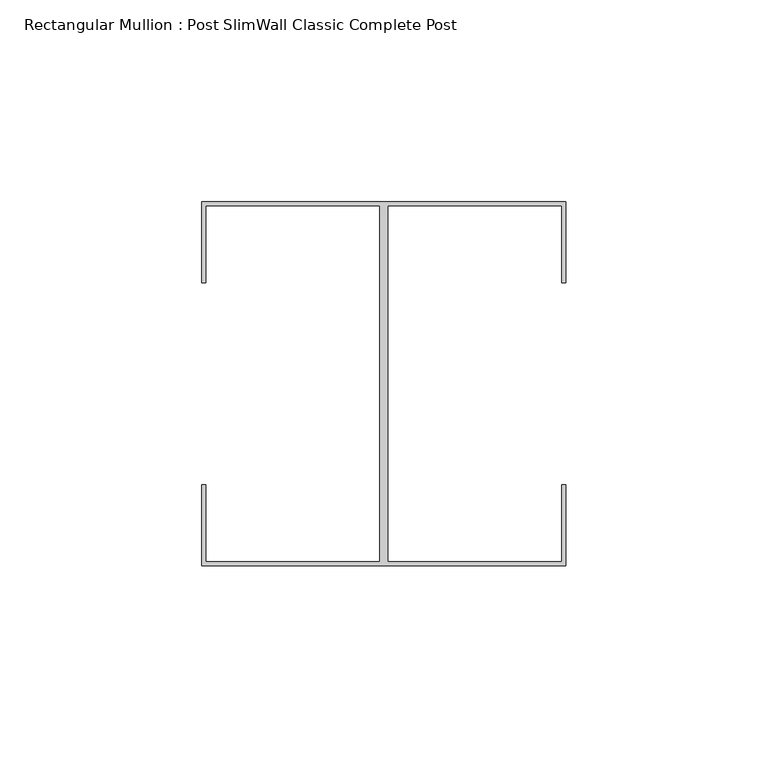
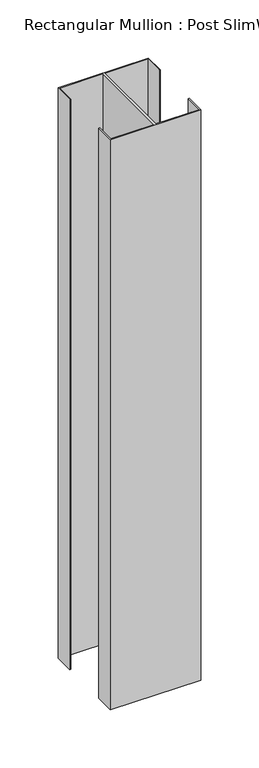
"""IFC4 building model written with IfcOpenShell, lengths in millimetres: member geometry, Rectangular Mullion : Post SlimWall Classic Complete Post."""

from ifc_helpers import new_model, si_unit, frame, origin, place, context, project, spatial, polyline, outline, extrude, source, transform, mapped, element, save


def rectangular_mullion_post_slimwall_classic_complete_post_8a3efc30(model_context):
    return source(origin(), model_context, "Body", "SweptSolid", [
        extrude(outline(polyline([(-0.95, 44.05), (-44.0, 44.05), (-44.0, -44.05), (-0.95, -44.05), (-0.95, -25.0), (0.0, -25.0), (0.0, -45.0), (-90.0, -45.0), (-90.0, -25.0), (-89.05, -25.0), (-89.05, -44.05), (-46.0, -44.05), (-46.0, 44.05), (-89.05, 44.05), (-89.05, 25.0), (-90.0, 25.0), (-90.0, 45.0), (0.0, 45.0), (0.0, 25.0), (-0.95, 25.0), (-0.95, 44.05)])), frame((0.0, 0.0, -600.0), z_axis=(0.0, 0.0, 1.0), x_axis=(1.0, 0.0, 0.0)), (0.0, 0.0, 1.0), 600.0),
    ])


if __name__ == "__main__":
    model = new_model("IFC4")
    model_context = context("Model", 3, world=origin())
    ifc_project = project(units=[si_unit("LENGTHUNIT", "METRE", prefix="MILLI")], contexts=[model_context])
    site = spatial("IfcSite", under=ifc_project)
    building = spatial("IfcBuilding", under=site)
    placement = place(None, origin())
    rectangular_mullion_post_slimwall_classic_complete_post_shape = rectangular_mullion_post_slimwall_classic_complete_post_8a3efc30(model_context)
    element("IfcMember", 1, ObjectType="Rectangular Mullion : Post SlimWall Classic Complete Post", at=placement, inside=building, context=model_context, shape_type="MappedRepresentation", body=[
        mapped(rectangular_mullion_post_slimwall_classic_complete_post_shape, transform((0.0, 0.0, 0.0), x_axis=(1.0, 0.0, 0.0), y_axis=(0.0, 1.0, 0.0), z_axis=(0.0, 0.0, 1.0))),
    ])
    save(model, "model.ifc")
